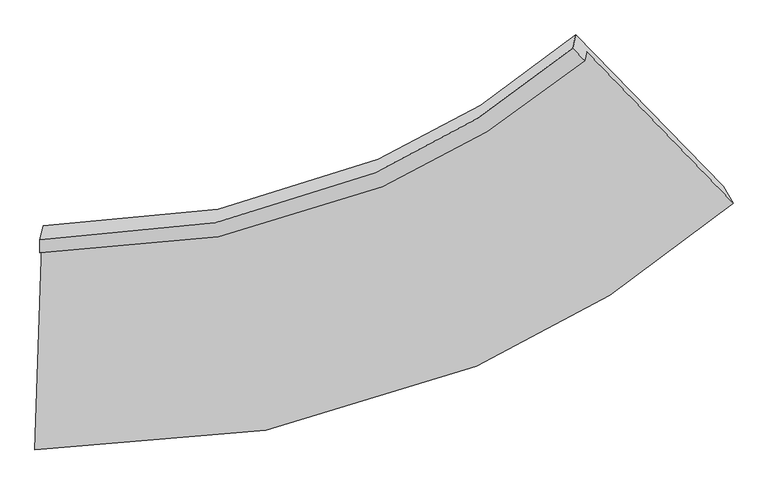
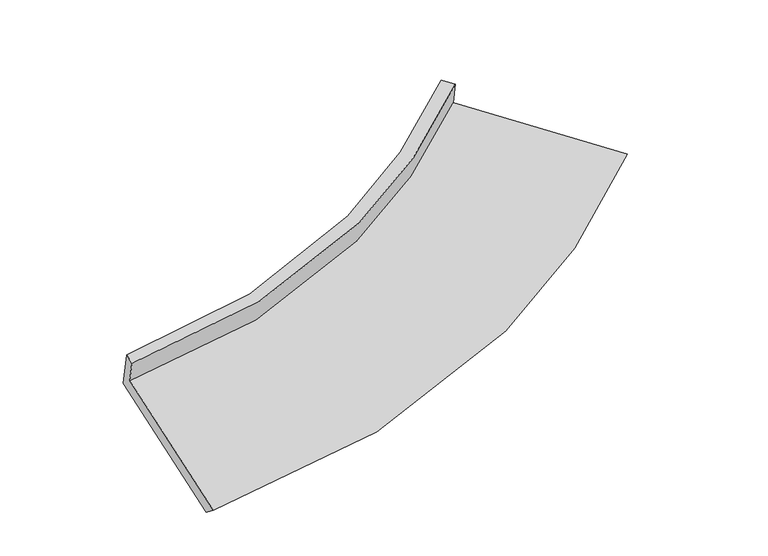
"""IFC4 building model written with IfcOpenShell, lengths in millimetres: proxy geometry."""

import ifcopenshell
import ifcopenshell.guid

model = None  # the IFC model being written
_history = None  # IfcOwnerHistory: only IFC2X3 demands one
_inside = {}  # id of a spatial element -> (the spatial element, [elements in it])
_under = {}  # id of a project, library or spatial element -> (it, [spatial elements below it])
_declared = {}  # id of a project -> (the project, [libraries it declares])
_typed = {}  # id of a type object -> (the type object, [elements of that type])
_made_of = {}  # id of a material, layer set ... -> (it, [elements and type objects made of it])


def new_model(schema):
    """Start an empty IFC model of exactly this schema.

    Asked for "IFC4X3", IfcOpenShell would pick the latest addendum, in which some entities
    have other attributes; the version numbers below select the first issue.
    IFC2X3 requires an IfcOwnerHistory on every rooted entity: one is made here for all.
    """
    global model, _history
    if schema == "IFC4X3":
        model = ifcopenshell.file(schema_version=(4, 3, 0, 0))
    else:
        model = ifcopenshell.file(schema=schema)
    _inside.clear()
    _under.clear()
    _declared.clear()
    _typed.clear()
    _made_of.clear()
    _history = None
    if model.schema == "IFC2X3":
        org = make("IfcOrganization", Name="unknown")
        user = make(
            "IfcPersonAndOrganization",
            ThePerson=make("IfcPerson", FamilyName="unknown"),
            TheOrganization=org,
        )
        app = make(
            "IfcApplication",
            ApplicationDeveloper=org,
            Version="unknown",
            ApplicationFullName="unknown",
            ApplicationIdentifier="unknown",
        )
        _history = make(
            "IfcOwnerHistory",
            OwningUser=user,
            OwningApplication=app,
            ChangeAction="ADDED",
            CreationDate=0,
        )
    return model


def make(cls, **values):
    """One entity of the class cls with the attributes given. An attribute that is None is left unset."""
    return model.create_entity(
        cls, **{name: value for name, value in values.items() if value is not None}
    )


def rooted(cls, **values):
    """An entity with a GlobalId (a new one), such as an element, a storey or a relation."""
    return make(cls, GlobalId=ifcopenshell.guid.new(), OwnerHistory=_history, **values)


def si_unit(unit_type, name, prefix=None):
    """IfcSIUnit, for example si_unit("LENGTHUNIT", "METRE", prefix="MILLI")."""
    return make("IfcSIUnit", UnitType=unit_type, Prefix=prefix, Name=name)


def assignment(units):
    """IfcUnitAssignment: the units of a project."""
    return None if units is None else make("IfcUnitAssignment", Units=units)


def point(xyz):
    """IfcCartesianPoint."""
    return None if xyz is None else make("IfcCartesianPoint", Coordinates=xyz)


def direction(xyz):
    """IfcDirection."""
    return None if xyz is None else make("IfcDirection", DirectionRatios=xyz)


def frame(location, z_axis=None, x_axis=None):
    """IfcAxis2Placement3D, a coordinate frame: its origin and axes. An axis left out is left unset."""
    return make(
        "IfcAxis2Placement3D",
        Location=point(location),
        Axis=direction(z_axis),
        RefDirection=direction(x_axis),
    )


def origin():
    """The frame at (0, 0, 0) with its axes left unset."""
    return frame((0.0, 0.0, 0.0))


def place(relative_to, where):
    """IfcLocalPlacement: puts the frame where relative to a parent placement (None: the world)."""
    return make(
        "IfcLocalPlacement", PlacementRelTo=relative_to, RelativePlacement=where
    )


def context(
    kind, dimensions, precision=None, world=None, true_north=None, identifier=None
):
    """IfcGeometricRepresentationContext, for example the 3D "Model" context."""
    return make(
        "IfcGeometricRepresentationContext",
        ContextIdentifier=identifier,
        ContextType=kind,
        CoordinateSpaceDimension=dimensions,
        Precision=precision,
        WorldCoordinateSystem=world,
        TrueNorth=true_north,
    )


def project(units=None, contexts=None):
    """IfcProject with its units and contexts."""
    return rooted(
        "IfcProject",
        Name="project",
        RepresentationContexts=contexts,
        UnitsInContext=assignment(units),
    )


def spatial(cls, under=None, at=None, **own):
    """A site, building, storey or space (cls), placed at a placement, below another one or the project."""
    s = rooted(cls, ObjectPlacement=at, **own)
    if under is not None:
        _under.setdefault(under.id(), (under, []))[1].append(s)
    return s


def shape(context_of_items, identifier, shape_type, items):
    """IfcShapeRepresentation: the items that make up one representation, for example the "Body"."""
    return make(
        "IfcShapeRepresentation",
        ContextOfItems=context_of_items,
        RepresentationIdentifier=identifier,
        RepresentationType=shape_type,
        Items=items,
    )


def source(mapping_origin, context_of_items, identifier, shape_type, items):
    """IfcRepresentationMap: a shape defined once, which mapped items show again and again."""
    return make(
        "IfcRepresentationMap",
        MappingOrigin=mapping_origin,
        MappedRepresentation=shape(context_of_items, identifier, shape_type, items),
    )


def transform(
    local_origin,
    x_axis=None,
    y_axis=None,
    z_axis=None,
    scale=None,
    scale2=None,
    scale3=None,
    uniform=True,
):
    """IfcCartesianTransformationOperator3D, or its non-uniform kind. x_axis, y_axis, z_axis: its Axis1, 2, 3."""
    if uniform:
        return make(
            "IfcCartesianTransformationOperator3D",
            Axis1=direction(x_axis),
            Axis2=direction(y_axis),
            LocalOrigin=point(local_origin),
            Scale=scale,
            Axis3=direction(z_axis),
        )
    return make(
        "IfcCartesianTransformationOperator3DnonUniform",
        Axis1=direction(x_axis),
        Axis2=direction(y_axis),
        LocalOrigin=point(local_origin),
        Scale=scale,
        Axis3=direction(z_axis),
        Scale2=scale2,
        Scale3=scale3,
    )


def mapped(mapping_source, mapping_target):
    """IfcMappedItem: shows the shape of a source again, moved by a transform."""
    return make(
        "IfcMappedItem", MappingSource=mapping_source, MappingTarget=mapping_target
    )


def made_of(thing, what):
    """Note that an element or type object is made of a material, layer set ...; save() writes the relation."""
    if what is not None:
        _made_of.setdefault(what.id(), (what, []))[1].append(thing)
    return thing


def element(
    cls,
    number,
    at=None,
    inside=None,
    cuts=None,
    type_object=None,
    material=None,
    context=None,
    identifier="Body",
    shape_type=None,
    held_by="IfcProductDefinitionShape",
    body=None,
    shapes=None,
    **own,
):
    """One element of the class cls, such as IfcWall. Its Tag is "e" and its number.

    at: its placement. inside: the storey or other place that contains it. cuts: it is an
    opening in that element (IfcRelVoidsElement). A single representation is given by context,
    identifier, shape_type and body (its items); several are given by shapes. held_by: the class
    of the entity that holds the representations. save() writes the other relations.
    """
    e = rooted(cls, Tag="e%d" % number, ObjectPlacement=at, **own)
    if body is not None:
        shapes = [shape(context, identifier, shape_type, body)]
    if shapes is not None:
        e.Representation = make(held_by, Representations=shapes)
    if inside is not None:
        _inside.setdefault(inside.id(), (inside, []))[1].append(e)
    if cuts is not None:
        rooted(
            "IfcRelVoidsElement", RelatingBuildingElement=cuts, RelatedOpeningElement=e
        )
    if type_object is not None:
        _typed.setdefault(type_object.id(), (type_object, []))[1].append(e)
    return made_of(e, material)


def aggregate(whole, parts):
    """IfcRelAggregates: a whole, such as a stair, and the parts it consists of."""
    return rooted("IfcRelAggregates", RelatingObject=whole, RelatedObjects=parts)


def save(model, path):
    """Write the relations noted so far, then the file.

    IfcRelAggregates (storeys below a building ...), IfcRelContainedInSpatialStructure (elements
    in a storey), IfcRelDefinesByType, IfcRelAssociatesMaterial and IfcRelDeclares: one each for
    every whole, place, type object, material and project.
    """
    for whole, parts in _under.values():
        aggregate(whole, parts)
    for where, things in _inside.values():
        rooted(
            "IfcRelContainedInSpatialStructure",
            RelatedElements=things,
            RelatingStructure=where,
        )
    for kind, things in _typed.values():
        rooted("IfcRelDefinesByType", RelatedObjects=things, RelatingType=kind)
    for what, things in _made_of.values():
        rooted("IfcRelAssociatesMaterial", RelatedObjects=things, RelatingMaterial=what)
    for by, libraries in _declared.values():
        rooted("IfcRelDeclares", RelatingContext=by, RelatedDefinitions=libraries)
    model.write(path)


def plane_surface(at):
    """IfcPlane: the flat surface through the origin of the frame at, square to its z axis."""
    return make("IfcPlane", Position=at)


def spline_curve(degree, points, multiplicities, knots, weights=None):
    """IfcBSplineCurveWithKnots; with weights, IfcRationalBSplineCurveWithKnots."""
    own = dict(
        Degree=degree,
        ControlPointsList=[point(p) for p in points],
        CurveForm="UNSPECIFIED",
        ClosedCurve=False,
        SelfIntersect=False,
        KnotMultiplicities=multiplicities,
        Knots=knots,
        KnotSpec="UNSPECIFIED",
    )
    if weights is None:
        return make("IfcBSplineCurveWithKnots", **own)
    return make("IfcRationalBSplineCurveWithKnots", WeightsData=weights, **own)


def spline_surface(u_degree, v_degree, points, u_multiplicities, v_multiplicities, u_knots, v_knots, weights=None):
    """IfcBSplineSurfaceWithKnots; with weights, IfcRationalBSplineSurfaceWithKnots. points: one row for each step in u."""
    own = dict(
        UDegree=u_degree,
        VDegree=v_degree,
        ControlPointsList=[[point(p) for p in row] for row in points],
        SurfaceForm="UNSPECIFIED",
        UClosed=False,
        VClosed=False,
        SelfIntersect=False,
        UMultiplicities=u_multiplicities,
        VMultiplicities=v_multiplicities,
        UKnots=u_knots,
        VKnots=v_knots,
        KnotSpec="UNSPECIFIED",
    )
    if weights is None:
        return make("IfcBSplineSurfaceWithKnots", **own)
    return make("IfcRationalBSplineSurfaceWithKnots", WeightsData=weights, **own)


def advanced_brep(points, edges, surfaces, faces):
    """IfcAdvancedBrep: a solid bounded by faces that lie on surfaces and meet in shared edges.

    An edge is (start, end): straight between two places in points (the first is 0);
    or (start, end, curve); or (start, end, curve, False) where it runs against its curve.
    A face is (place in surfaces, loops), or (place, loops, False) where it looks against
    its surface's normal. A loop lists edges by number (the first is 1), with a minus sign
    where the edge is run from its end to its start. The first loop is the outer one.
    """
    corners = [point(p) for p in points]
    vertices = [make("IfcVertexPoint", VertexGeometry=c) for c in corners]
    made = []
    for start, end, *more in edges:
        made.append(
            make(
                "IfcEdgeCurve",
                EdgeStart=vertices[start],
                EdgeEnd=vertices[end],
                EdgeGeometry=more[0] if more else make("IfcPolyline", Points=[corners[start], corners[end]]),
                SameSense=more[1] if len(more) > 1 else True,
            )
        )
    hull = []
    for where, loops, *sense in faces:
        bounds = []
        for j, loop in enumerate(loops):
            ring = [make("IfcOrientedEdge", EdgeElement=made[abs(k) - 1], Orientation=k > 0) for k in loop]
            bounds.append(
                make(
                    "IfcFaceOuterBound" if j == 0 else "IfcFaceBound",
                    Bound=make("IfcEdgeLoop", EdgeList=ring),
                    Orientation=True,
                )
            )
        hull.append(make("IfcAdvancedFace", Bounds=bounds, FaceSurface=surfaces[where], SameSense=sense[0] if sense else True))
    return make("IfcAdvancedBrep", Outer=make("IfcClosedShell", CfsFaces=hull))


def generic_models_d6304785(model_context):
    return source(origin(), model_context, "Body", "AdvancedBrep", [
        advanced_brep(
        [(-1962.1051162, -1891.480345, 1949.6595209), (-1950.0417973, -1839.979063, 1762.5138122), (1376.021702, -666.3310909, 2296.9523849), (1363.3053171, -720.6204726, 2494.2295091), (-1959.5693357, -1812.6735285, 1971.5100994), (1290.3929132, -645.2322997, 2510.2759468), (-1939.9871563, -1729.0723776, 1667.7196689), (1309.4674905, -563.7982272, 2214.3602606), (-1980.1176278, -2976.244473, 1321.9192286), (2209.631572, -1487.4290398, 1995.7822576), (-1990.3854021, -3093.7749007, 1414.8768225), (2269.2906436, -1589.9313266, 2100.3632761)],
        [
            (0, 1),
            (1, 2, spline_curve(3, [(-1950.0417973, -1839.979063, 1762.5138122), (-1192.75242525, -1846.322255582, 1801.315822409), (-495.487353541, -1712.026610777, 1879.498964253), (581.799219382, -1247.236472631, 2078.24709754), (993.221980786, -990.316126743, 2178.210146337), (1376.021702, -666.3310909, 2296.9523849)], [4, 2, 4], [0.0, 7.068386933951185, 11.949452510625651])),
            (2, 3),
            (3, 0, spline_curve(3, [(1363.3053171, -720.6204726, 2494.2295091), (980.563552845, -1044.35807584, 2374.588148158), (569.211396426, -1300.976991998, 2273.529762094), (-507.871363449, -1764.897001683, 2071.619750299), (-1204.989351508, -1898.564709551, 1991.154806829), (-1962.1051162, -1891.480345, 1949.6595209)], [4, 2, 4], [0.0, 4.881065576674466, 11.949452510625651])),
            (4, 0),
            (3, 5),
            (5, 4, spline_curve(3, [(1290.3929132, -645.2322997, 2510.2759468), (917.699017467, -962.731895029, 2392.998925629), (516.486660317, -1215.470743683, 2293.661915425), (-535.54755843, -1675.664397917, 2094.391988837), (-1217.65595086, -1812.072625463, 2014.140383239), (-1959.5693357, -1812.6735285, 1971.5100994)], [4, 2, 4], [0.0, 4.830586152510696, 11.825872633991485])),
            (6, 4),
            (5, 7),
            (7, 6, spline_curve(3, [(1309.4674905, -563.7982272, 2214.3602606), (936.551336606, -882.246697433, 2100.531267647), (535.235740074, -1135.426300707, 2002.795874262), (-516.75984889, -1595.455035068, 1802.926661335), (-1198.595801372, -1730.700148645, 1718.448523889), (-1939.9871563, -1729.0723776, 1667.7196689)], [4, 2, 4], [0.0, 4.780128645616113, 11.702346413544316])),
            (8, 6),
            (7, 9),
            (9, 8, spline_curve(3, [(2209.631572, -1487.4290398, 1995.7822576), (1734.036212266, -1899.620316966, 1852.410871945), (1219.686510916, -2226.245612715, 1730.124643854), (-134.380626034, -2816.388641827, 1482.371901337), (-1016.613991678, -2986.035157293, 1380.037119604), (-1980.1176278, -2976.244473, 1321.9192286)], [4, 2, 4], [0.0, 5.474966079072679, 13.403394429242384])),
            (10, 8),
            (9, 11),
            (11, 10, spline_curve(3, [(2269.2906436, -1589.9313266, 2100.3632761), (1786.61205504, -2009.001412782, 1949.016108075), (1264.18329321, -2340.531517171, 1821.365547422), (-112.100302995, -2937.849527764, 1566.873407005), (-1009.563556458, -3107.600615005, 1466.028482858), (-1990.3854021, -3093.7749007, 1414.8768225)], [4, 2, 4], [0.0, 6.215246588289569, 15.215692717489485])),
            (1, 10),
            (11, 2),
        ],
        [
            spline_surface(3, 3, [[(-1962.1051162, -1891.480345, 1949.6595209), (-1204.989351423, -1898.564709583, 1991.154806914), (-507.871363444, -1764.897001634, 2071.6197503), (569.211396423, -1300.976992031, 2273.529762093), (980.563552889, -1044.358075851, 2374.588148139), (1363.3053171, -720.6204726, 2494.2295091)], [(-1958.084009898, -1874.313250994, 1887.277617995), (-1200.910376049, -1881.150558244, 1927.875145396), (-503.743360145, -1747.273537997, 2007.57948833), (573.407337429, -1283.063485577, 2208.435540558), (984.783028857, -1026.344092845, 2309.128814232), (1367.544112061, -702.524012048, 2428.470467724)], [(-1954.062903602, -1857.146157006, 1824.895715105), (-1196.831400682, -1863.736406925, 1864.595483892), (-499.615356879, -1729.650074361, 1943.539226335), (577.603278402, -1265.149979122, 2143.341318998), (989.00250484, -1008.330109795, 2243.669480253), (1371.782907039, -684.427551452, 2362.711426276)], [(-1950.0417973, -1839.979063, 1762.5138122), (-1192.752425308, -1846.322255586, 1801.315822373), (-495.48735358, -1712.026610725, 1879.498964365), (581.799219409, -1247.236472667, 2078.247097463), (993.221980808, -990.31612679, 2178.210146345), (1376.021702, -666.3310909, 2296.9523849)]], [4, 4], [4, 2, 4], [0.0, 0.6583267712626848], [0.0, 7.068386933951185, 11.949452510625651]),
            spline_surface(3, 3, [[(-1959.5693357, -1812.6735285, 1971.5100994), (-1217.655950898, -1812.072625359, 2014.140383294), (-535.547558461, -1675.664397822, 2094.391988866), (516.486660339, -1215.470743748, 2293.661915405), (917.69901754, -962.731895035, 2392.99892564), (1290.3929132, -645.2322997, 2510.2759468)], [(-1960.414595873, -1838.94246732, 1964.226573217), (-1213.433751079, -1840.903320087, 2006.478524484), (-526.322160133, -1705.408599102, 2086.80124267), (534.061572356, -1243.972826519, 2286.951197627), (938.653862647, -989.940621967, 2386.861999777), (1314.697047824, -670.36169066, 2504.927134204)], [(-1961.259856027, -1865.21140618, 1956.943047083), (-1209.211551242, -1869.734014855, 1998.816665724), (-517.096761773, -1735.152800354, 2079.210496495), (551.636484405, -1272.474909261, 2280.24047987), (959.608707782, -1017.149348919, 2380.725074002), (1339.001182476, -695.49108164, 2499.578321696)], [(-1962.1051162, -1891.480345, 1949.6595209), (-1204.989351423, -1898.564709583, 1991.154806914), (-507.871363444, -1764.897001634, 2071.6197503), (569.211396423, -1300.976992031, 2273.529762093), (980.563552889, -1044.358075851, 2374.588148139), (1363.3053171, -720.6204726, 2494.2295091)]], [4, 4], [4, 2, 4], [0.0, 0.3186817553773895], [0.0, 6.99528648148079, 11.825872633991485]),
            spline_surface(3, 3, [[(-1939.9871563, -1729.0723776, 1667.7196689), (-1198.595801348, -1730.70014857, 1718.448523929), (-516.759848963, -1595.455035038, 1802.926661234), (535.235740125, -1135.426300728, 2002.795874332), (936.551336668, -882.246697456, 2100.531267579), (1309.4674905, -563.7982272, 2214.3602606)], [(-1946.514549437, -1756.939427905, 1768.983145742), (-1204.949184535, -1757.824307504, 1817.01247706), (-523.022418775, -1622.191489289, 1900.081770453), (528.986046883, -1162.107781725, 2099.751221365), (930.267230284, -909.075096644, 2198.02048693), (1303.109298058, -590.942918028, 2312.998822664)], [(-1953.041942563, -1784.806478195, 1870.246622558), (-1211.30256771, -1784.948466425, 1915.576430164), (-529.284988649, -1648.92794357, 1997.236879647), (522.73635358, -1188.789262751, 2196.706568372), (923.983123925, -935.903495848, 2295.509706289), (1296.751105642, -618.087608872, 2411.637384736)], [(-1959.5693357, -1812.6735285, 1971.5100994), (-1217.655950898, -1812.072625359, 2014.140383294), (-535.547558461, -1675.664397822, 2094.391988866), (516.486660339, -1215.470743748, 2293.661915405), (917.69901754, -962.731895035, 2392.99892564), (1290.3929132, -645.2322997, 2510.2759468)]], [4, 4], [4, 2, 4], [0.0, 0.9940135611721873], [0.0, 6.922217767928203, 11.702346413544316]),
            spline_surface(3, 3, [[(-1980.1176278, -2976.244473, 1321.9192286), (-1016.613991555, -2986.035157272, 1380.037119593), (-134.380626157, -2816.388641842, 1482.371901263), (1219.686511001, -2226.245612704, 1730.124643905), (1734.036212201, -1899.620317056, 1852.410871874), (2209.631572, -1487.4290398, 1995.7822576)], [(-1966.740803968, -2560.520441218, 1437.186042052), (-1077.27459482, -2567.59015439, 1492.840921057), (-261.840367104, -2409.410772926, 1589.223487922), (991.536254031, -1862.639175398, 1821.015054049), (1468.207920357, -1560.495777204, 1935.117670455), (1909.576878167, -1179.552102281, 2068.641591946)], [(-1953.363980132, -2144.796409382, 1552.452855448), (-1137.935198082, -2149.145151452, 1605.644722465), (-389.300108016, -2002.432903953, 1696.075074575), (763.385997095, -1499.032738034, 1911.905464188), (1202.379628512, -1221.371237309, 2017.824468998), (1609.522184333, -871.675164719, 2141.500926254)], [(-1939.9871563, -1729.0723776, 1667.7196689), (-1198.595801348, -1730.70014857, 1718.448523929), (-516.759848963, -1595.455035038, 1802.926661234), (535.235740125, -1135.426300728, 2002.795874332), (936.551336668, -882.246697456, 2100.531267579), (1309.4674905, -563.7982272, 2214.3602606)]], [4, 4], [4, 2, 4], [0.0, 4.283201636730713], [0.0, 7.928428350169705, 13.403394429242384]),
            spline_surface(3, 3, [[(-1990.3854021, -3093.7749007, 1414.8768225), (-1009.563556516, -3107.600614999, 1466.028482953), (-112.100303047, -2937.849527886, 1566.873406887), (1264.183293245, -2340.531517086, 1821.365547504), (1786.612054999, -2009.001412779, 1949.016108144), (2269.2906436, -1589.9313266, 2100.3632761)], [(-1986.962810659, -3054.598091469, 1383.890957841), (-1011.913701522, -3067.078795759, 1437.36469514), (-119.527077424, -2897.36256585, 1538.706238318), (1249.35103249, -2302.436215604, 1790.951912943), (1769.08677407, -1972.54104752, 1916.814362729), (2249.404286403, -1555.763897649, 2065.502936608)], [(-1983.540219241, -3015.421282231, 1352.905093259), (-1014.263846549, -3026.556976512, 1408.700907405), (-126.95385178, -2856.875603878, 1510.539069832), (1234.518771756, -2264.340914186, 1760.538278466), (1751.56149313, -1936.080682315, 1884.612617289), (2229.517929197, -1521.596468751, 2030.642597092)], [(-1980.1176278, -2976.244473, 1321.9192286), (-1016.613991555, -2986.035157272, 1380.037119593), (-134.380626157, -2816.388641842, 1482.371901263), (1219.686511001, -2226.245612704, 1730.124643905), (1734.036212201, -1899.620317056, 1852.410871874), (2209.631572, -1487.4290398, 1995.7822576)]], [4, 4], [4, 2, 4], [0.0, 0.492782553485099], [0.0, 9.000446129199917, 15.215692717489485]),
            spline_surface(3, 3, [[(-1950.0417973, -1839.979063, 1762.5138122), (-1192.752425308, -1846.322255586, 1801.315822373), (-495.48735358, -1712.026610725, 1879.498964365), (581.799219409, -1247.236472667, 2078.247097463), (993.221980808, -990.31612679, 2178.210146345), (1376.021702, -666.3310909, 2296.9523849)], [(-1963.489665565, -2257.911008894, 1646.634815654), (-1131.689469043, -2266.748375384, 1689.55337592), (-367.691670072, -2120.634249782, 1775.290445222), (809.260577351, -1611.668154143, 1992.61991416), (1257.685338892, -1329.877888788, 2101.812133599), (1673.778015887, -974.197836135, 2231.422681954)], [(-1976.937533835, -2675.842954806, 1530.755819046), (-1070.626512781, -2687.1744952, 1577.790929405), (-239.895986555, -2529.24188883, 1671.081926029), (1036.721935303, -1976.09983561, 1906.992730807), (1522.148696916, -1669.439650781, 2025.41412089), (1971.534329713, -1282.064581365, 2165.892979046)], [(-1990.3854021, -3093.7749007, 1414.8768225), (-1009.563556516, -3107.600614999, 1466.028482953), (-112.100303047, -2937.849527886, 1566.873406887), (1264.183293245, -2340.531517086, 1821.365547504), (1786.612054999, -2009.001412779, 1949.016108144), (2269.2906436, -1589.9313266, 2100.3632761)]], [4, 4], [4, 2, 4], [0.0, 4.287404688047148], [0.0, 8.075518118034612, 13.652056848592727]),
            plane_surface(frame((1636.3516064, -945.5570761, 2268.6606059), z_axis=(0.7238072462520774, 0.6519200562148807, 0.22606041355746423), x_axis=(-0.6881381884690118, 0.7060775332296467, 0.16709383782451126))),
            plane_surface(frame((-1963.7010725, -2223.8707813, 1681.3665254), z_axis=(-0.9975930109336996, 0.04638960463003587, -0.05153822967957795), x_axis=(-0.06202944313657175, -0.26481898299630585, 0.9623010206941325))),
        ],
        [
            (0, [[1, 2, 3, 4]]),
            (1, [[5, -4, 6, 7]]),
            (2, [[8, -7, 9, 10]]),
            (3, [[11, -10, 12, 13]]),
            (4, [[14, -13, 15, 16]]),
            (5, [[17, -16, 18, -2]]),
            (6, [[-12, -9, -6, -3, -18, -15]]),
            (7, [[-1, -5, -8, -11, -14, -17]]),
        ],
    ),
    ])


if __name__ == "__main__":
    model = new_model("IFC4")
    model_context = context("Model", 3, world=origin())
    ifc_project = project(units=[si_unit("LENGTHUNIT", "METRE", prefix="MILLI")], contexts=[model_context])
    site = spatial("IfcSite", under=ifc_project)
    building = spatial("IfcBuilding", under=site)
    placement = place(None, origin())
    generic_models_shape = generic_models_d6304785(model_context)
    element("IfcBuildingElementProxy", 1, Name="Generic Models", at=placement, inside=building, context=model_context, shape_type="MappedRepresentation", body=[
        mapped(generic_models_shape, transform((0.0, 0.0, 0.0), x_axis=(1.0, 0.0, 0.0), y_axis=(0.0, 1.0, 0.0), z_axis=(0.0, 0.0, 1.0))),
    ])
    save(model, "model.ifc")
